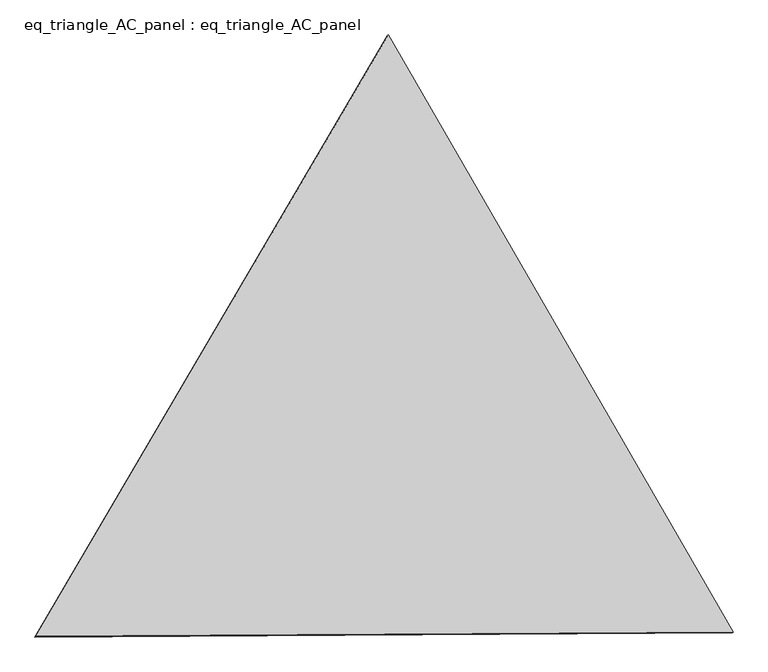
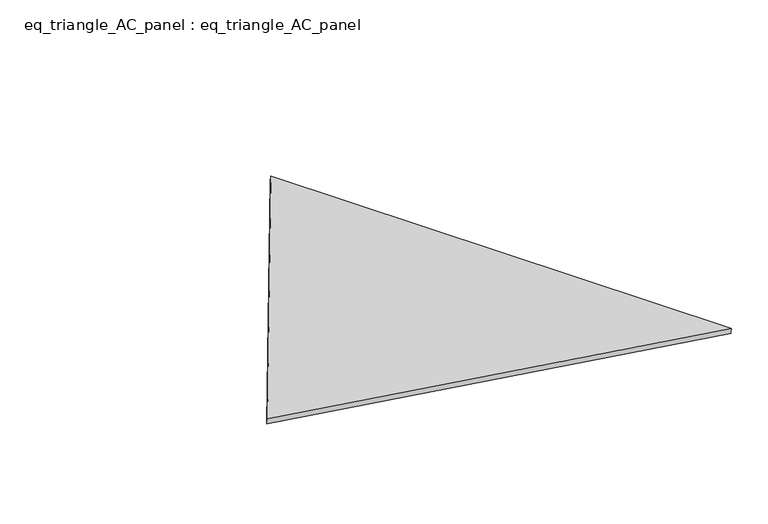
"""IFC4 building model written with IfcOpenShell, lengths in millimetres: proxy geometry, eq_triangle_AC_panel : eq_triangle_AC_panel."""

import ifcopenshell
import ifcopenshell.guid

model = None  # the IFC model being written
_history = None  # IfcOwnerHistory: only IFC2X3 demands one
_inside = {}  # id of a spatial element -> (the spatial element, [elements in it])
_under = {}  # id of a project, library or spatial element -> (it, [spatial elements below it])
_declared = {}  # id of a project -> (the project, [libraries it declares])
_typed = {}  # id of a type object -> (the type object, [elements of that type])
_made_of = {}  # id of a material, layer set ... -> (it, [elements and type objects made of it])


def new_model(schema):
    """Start an empty IFC model of exactly this schema.

    Asked for "IFC4X3", IfcOpenShell would pick the latest addendum, in which some entities
    have other attributes; the version numbers below select the first issue.
    IFC2X3 requires an IfcOwnerHistory on every rooted entity: one is made here for all.
    """
    global model, _history
    if schema == "IFC4X3":
        model = ifcopenshell.file(schema_version=(4, 3, 0, 0))
    else:
        model = ifcopenshell.file(schema=schema)
    _inside.clear()
    _under.clear()
    _declared.clear()
    _typed.clear()
    _made_of.clear()
    _history = None
    if model.schema == "IFC2X3":
        org = make("IfcOrganization", Name="unknown")
        user = make(
            "IfcPersonAndOrganization",
            ThePerson=make("IfcPerson", FamilyName="unknown"),
            TheOrganization=org,
        )
        app = make(
            "IfcApplication",
            ApplicationDeveloper=org,
            Version="unknown",
            ApplicationFullName="unknown",
            ApplicationIdentifier="unknown",
        )
        _history = make(
            "IfcOwnerHistory",
            OwningUser=user,
            OwningApplication=app,
            ChangeAction="ADDED",
            CreationDate=0,
        )
    return model


def make(cls, **values):
    """One entity of the class cls with the attributes given. An attribute that is None is left unset."""
    return model.create_entity(
        cls, **{name: value for name, value in values.items() if value is not None}
    )


def rooted(cls, **values):
    """An entity with a GlobalId (a new one), such as an element, a storey or a relation."""
    return make(cls, GlobalId=ifcopenshell.guid.new(), OwnerHistory=_history, **values)


def si_unit(unit_type, name, prefix=None):
    """IfcSIUnit, for example si_unit("LENGTHUNIT", "METRE", prefix="MILLI")."""
    return make("IfcSIUnit", UnitType=unit_type, Prefix=prefix, Name=name)


def assignment(units):
    """IfcUnitAssignment: the units of a project."""
    return None if units is None else make("IfcUnitAssignment", Units=units)


def point(xyz):
    """IfcCartesianPoint."""
    return None if xyz is None else make("IfcCartesianPoint", Coordinates=xyz)


def direction(xyz):
    """IfcDirection."""
    return None if xyz is None else make("IfcDirection", DirectionRatios=xyz)


def frame(location, z_axis=None, x_axis=None):
    """IfcAxis2Placement3D, a coordinate frame: its origin and axes. An axis left out is left unset."""
    return make(
        "IfcAxis2Placement3D",
        Location=point(location),
        Axis=direction(z_axis),
        RefDirection=direction(x_axis),
    )


def origin():
    """The frame at (0, 0, 0) with its axes left unset."""
    return frame((0.0, 0.0, 0.0))


def place(relative_to, where):
    """IfcLocalPlacement: puts the frame where relative to a parent placement (None: the world)."""
    return make(
        "IfcLocalPlacement", PlacementRelTo=relative_to, RelativePlacement=where
    )


def context(
    kind, dimensions, precision=None, world=None, true_north=None, identifier=None
):
    """IfcGeometricRepresentationContext, for example the 3D "Model" context."""
    return make(
        "IfcGeometricRepresentationContext",
        ContextIdentifier=identifier,
        ContextType=kind,
        CoordinateSpaceDimension=dimensions,
        Precision=precision,
        WorldCoordinateSystem=world,
        TrueNorth=true_north,
    )


def project(units=None, contexts=None):
    """IfcProject with its units and contexts."""
    return rooted(
        "IfcProject",
        Name="project",
        RepresentationContexts=contexts,
        UnitsInContext=assignment(units),
    )


def spatial(cls, under=None, at=None, **own):
    """A site, building, storey or space (cls), placed at a placement, below another one or the project."""
    s = rooted(cls, ObjectPlacement=at, **own)
    if under is not None:
        _under.setdefault(under.id(), (under, []))[1].append(s)
    return s


def polyline(points):
    """IfcPolyline through the points."""
    return make("IfcPolyline", Points=[point(p) for p in points])


def outline(outer, holes=None, kind="AREA"):
    """IfcArbitraryClosedProfileDef: a profile drawn as a closed curve; with holes, ...WithVoids."""
    if holes is None:
        return make("IfcArbitraryClosedProfileDef", ProfileType=kind, OuterCurve=outer)
    return make(
        "IfcArbitraryProfileDefWithVoids",
        ProfileType=kind,
        OuterCurve=outer,
        InnerCurves=holes,
    )


def extrude(swept, where, along, depth):
    """IfcExtrudedAreaSolid: the profile swept, set in the frame where, extruded along a direction by depth."""
    return make(
        "IfcExtrudedAreaSolid",
        SweptArea=swept,
        Position=where,
        ExtrudedDirection=direction(along),
        Depth=depth,
    )


def shape(context_of_items, identifier, shape_type, items):
    """IfcShapeRepresentation: the items that make up one representation, for example the "Body"."""
    return make(
        "IfcShapeRepresentation",
        ContextOfItems=context_of_items,
        RepresentationIdentifier=identifier,
        RepresentationType=shape_type,
        Items=items,
    )


def source(mapping_origin, context_of_items, identifier, shape_type, items):
    """IfcRepresentationMap: a shape defined once, which mapped items show again and again."""
    return make(
        "IfcRepresentationMap",
        MappingOrigin=mapping_origin,
        MappedRepresentation=shape(context_of_items, identifier, shape_type, items),
    )


def transform(
    local_origin,
    x_axis=None,
    y_axis=None,
    z_axis=None,
    scale=None,
    scale2=None,
    scale3=None,
    uniform=True,
):
    """IfcCartesianTransformationOperator3D, or its non-uniform kind. x_axis, y_axis, z_axis: its Axis1, 2, 3."""
    if uniform:
        return make(
            "IfcCartesianTransformationOperator3D",
            Axis1=direction(x_axis),
            Axis2=direction(y_axis),
            LocalOrigin=point(local_origin),
            Scale=scale,
            Axis3=direction(z_axis),
        )
    return make(
        "IfcCartesianTransformationOperator3DnonUniform",
        Axis1=direction(x_axis),
        Axis2=direction(y_axis),
        LocalOrigin=point(local_origin),
        Scale=scale,
        Axis3=direction(z_axis),
        Scale2=scale2,
        Scale3=scale3,
    )


def mapped(mapping_source, mapping_target):
    """IfcMappedItem: shows the shape of a source again, moved by a transform."""
    return make(
        "IfcMappedItem", MappingSource=mapping_source, MappingTarget=mapping_target
    )


def made_of(thing, what):
    """Note that an element or type object is made of a material, layer set ...; save() writes the relation."""
    if what is not None:
        _made_of.setdefault(what.id(), (what, []))[1].append(thing)
    return thing


def element(
    cls,
    number,
    at=None,
    inside=None,
    cuts=None,
    type_object=None,
    material=None,
    context=None,
    identifier="Body",
    shape_type=None,
    held_by="IfcProductDefinitionShape",
    body=None,
    shapes=None,
    **own,
):
    """One element of the class cls, such as IfcWall. Its Tag is "e" and its number.

    at: its placement. inside: the storey or other place that contains it. cuts: it is an
    opening in that element (IfcRelVoidsElement). A single representation is given by context,
    identifier, shape_type and body (its items); several are given by shapes. held_by: the class
    of the entity that holds the representations. save() writes the other relations.
    """
    e = rooted(cls, Tag="e%d" % number, ObjectPlacement=at, **own)
    if body is not None:
        shapes = [shape(context, identifier, shape_type, body)]
    if shapes is not None:
        e.Representation = make(held_by, Representations=shapes)
    if inside is not None:
        _inside.setdefault(inside.id(), (inside, []))[1].append(e)
    if cuts is not None:
        rooted(
            "IfcRelVoidsElement", RelatingBuildingElement=cuts, RelatedOpeningElement=e
        )
    if type_object is not None:
        _typed.setdefault(type_object.id(), (type_object, []))[1].append(e)
    return made_of(e, material)


def aggregate(whole, parts):
    """IfcRelAggregates: a whole, such as a stair, and the parts it consists of."""
    return rooted("IfcRelAggregates", RelatingObject=whole, RelatedObjects=parts)


def save(model, path):
    """Write the relations noted so far, then the file.

    IfcRelAggregates (storeys below a building ...), IfcRelContainedInSpatialStructure (elements
    in a storey), IfcRelDefinesByType, IfcRelAssociatesMaterial and IfcRelDeclares: one each for
    every whole, place, type object, material and project.
    """
    for whole, parts in _under.values():
        aggregate(whole, parts)
    for where, things in _inside.values():
        rooted(
            "IfcRelContainedInSpatialStructure",
            RelatedElements=things,
            RelatingStructure=where,
        )
    for kind, things in _typed.values():
        rooted("IfcRelDefinesByType", RelatedObjects=things, RelatingType=kind)
    for what, things in _made_of.values():
        rooted("IfcRelAssociatesMaterial", RelatedObjects=things, RelatingMaterial=what)
    for by, libraries in _declared.values():
        rooted("IfcRelDeclares", RelatingContext=by, RelatedDefinitions=libraries)
    model.write(path)


def eq_triangle_ac_panel_eq_triangle_ac_panel_151b9d1a(model_context):
    return source(origin(), model_context, "Body", "SweptSolid", [
        extrude(outline(polyline([(-2017.7410617, 1198.9367817), (2017.7410616, 1198.9367817), (-1e-07, -2397.8735635), (-2017.7410617, 1198.9367817)])), frame((0.0038051, 527.9290861, 89.8240019), z_axis=(0.14526328518058224, 0.08386570281802103, 0.9858321976225894), x_axis=(0.5000027697418974, -0.8660238046640226, -2.383668152746324e-06)), (0.0, 0.0, 1.0), 43.8306294),
    ])


if __name__ == "__main__":
    model = new_model("IFC4")
    model_context = context("Model", 3, world=origin())
    ifc_project = project(units=[si_unit("LENGTHUNIT", "METRE", prefix="MILLI")], contexts=[model_context])
    site = spatial("IfcSite", under=ifc_project)
    building = spatial("IfcBuilding", under=site)
    placement = place(None, origin())
    eq_triangle_ac_panel_eq_triangle_ac_panel_shape = eq_triangle_ac_panel_eq_triangle_ac_panel_151b9d1a(model_context)
    element("IfcBuildingElementProxy", 1, Name="eq_triangle_AC_panel : eq_triangle_AC_panel", ObjectType="eq_triangle_AC_panel : eq_triangle_AC_panel", at=placement, inside=building, context=model_context, shape_type="MappedRepresentation", body=[
        mapped(eq_triangle_ac_panel_eq_triangle_ac_panel_shape, transform((0.0, 0.0, 0.0), x_axis=(1.0, 0.0, 0.0), y_axis=(0.0, 1.0, 0.0), z_axis=(0.0, 0.0, 1.0))),
    ])
    save(model, "model.ifc")
